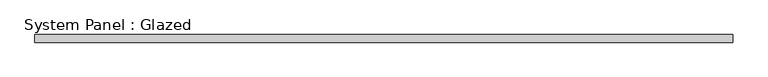
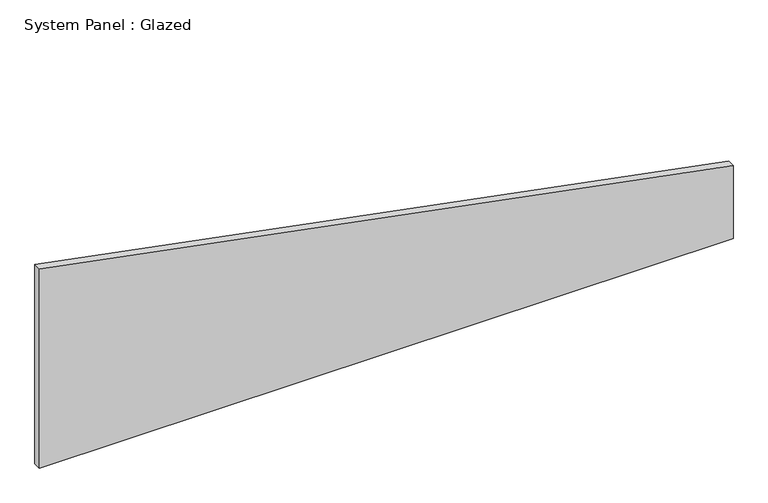
"""IFC4 building model written with IfcOpenShell, lengths in millimetres: plate geometry, System Panel : Glazed."""

from ifc_helpers import new_model, si_unit, frame, origin, place, context, project, spatial, polyline, outline, extrude, source, transform, mapped, element, save


def system_panel_glazed_c7f4b0f6(model_context):
    return source(origin(), model_context, "Body", "SweptSolid", [
        extrude(outline(polyline([(0.0, -1141.6340625), (0.0, 1141.6340625), (254.379143, 1141.6340625), (694.2418215, -1141.6340625), (0.0, -1141.6340625)])), frame((0.0, 24.5, 0.0), z_axis=(0.0, 1.0, 0.0), x_axis=(0.0, 0.0, 1.0)), (0.0, 0.0, 1.0), 25.0),
    ])


if __name__ == "__main__":
    model = new_model("IFC4")
    model_context = context("Model", 3, world=origin())
    ifc_project = project(units=[si_unit("LENGTHUNIT", "METRE", prefix="MILLI")], contexts=[model_context])
    site = spatial("IfcSite", under=ifc_project)
    building = spatial("IfcBuilding", under=site)
    placement = place(None, origin())
    system_panel_glazed_shape = system_panel_glazed_c7f4b0f6(model_context)
    element("IfcPlate", 1, ObjectType="System Panel : Glazed", at=placement, inside=building, context=model_context, shape_type="MappedRepresentation", body=[
        mapped(system_panel_glazed_shape, transform((0.0, 0.0, 0.0), x_axis=(1.0, 0.0, 0.0), y_axis=(0.0, 1.0, 0.0), z_axis=(0.0, 0.0, 1.0))),
    ])
    save(model, "model.ifc")
